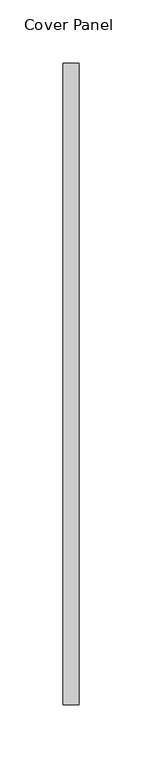
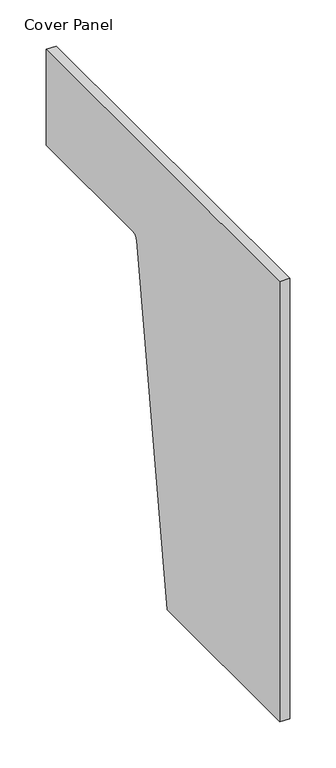
"""IFC4 building model written with IfcOpenShell, lengths in millimetres: furniture geometry, Cover Panel."""

from ifc_helpers import new_model, si_unit, point, frame, frame_2d, origin, place, context, project, spatial, polyline, circle_curve, trimmed, segment, composite_curve, outline, extrude, source, transform, mapped, element, save


def cover_panel_76c94b2b(model_context):
    return source(origin(), model_context, "Body", "SweptSolid", [
        extrude(outline(composite_curve([segment(polyline([(-488.4000505, 42.0999981), (-488.4000505, 626.2000526), (19.6000464, 626.2000526), (19.6000464, 499.0001617), (-169.6905138, 498.9854189)]), True, "CONTINUOUS"), segment(trimmed(circle_curve(frame_2d((-169.6899203, 491.365419)), 7.62), [point((-169.6905138, 498.9854189))], [point((-177.2289819, 492.4730965))], True, "CARTESIAN"), True, "CONTINUOUS"), segment(polyline([(-177.2289819, 492.4730965), (-243.4001067, 42.0999981), (-488.4000505, 42.0999981)]), True, "CONTINUOUS")], self_intersect=False)), frame((0.0, 0.0, 0.0), z_axis=(1.0, 0.0, 0.0), x_axis=(0.0, 1.0, 0.0)), (0.0, 0.0, 1.0), 12.7004635),
    ])


if __name__ == "__main__":
    model = new_model("IFC4")
    model_context = context("Model", 3, world=origin())
    ifc_project = project(units=[si_unit("LENGTHUNIT", "METRE", prefix="MILLI")], contexts=[model_context])
    site = spatial("IfcSite", under=ifc_project)
    building = spatial("IfcBuilding", under=site)
    placement = place(None, origin())
    cover_panel_shape = cover_panel_76c94b2b(model_context)
    element("IfcFurniture", 1, ObjectType="Cover Panel", at=placement, inside=building, context=model_context, shape_type="MappedRepresentation", body=[
        mapped(cover_panel_shape, transform((0.0, 0.0, 0.0), x_axis=(1.0, 0.0, 0.0), y_axis=(0.0, 1.0, 0.0), z_axis=(0.0, 0.0, 1.0))),
    ])
    save(model, "model.ifc")
